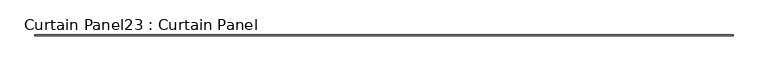
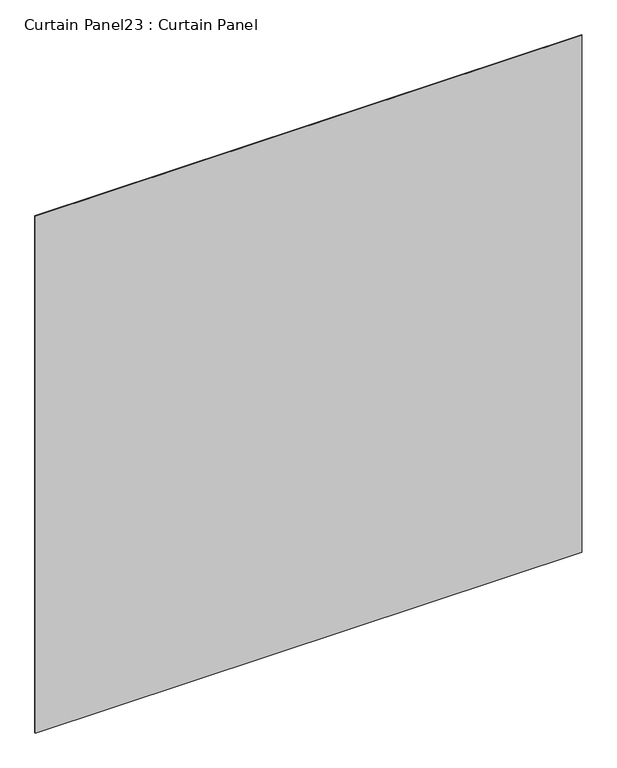
"""IFC4 building model written with IfcOpenShell, lengths in millimetres: plate geometry, Curtain Panel23 : Curtain Panel."""

from ifc_helpers import new_model, si_unit, frame, origin, place, context, project, spatial, polyline, outline, extrude, source, transform, mapped, element, save


def curtain_panel23_curtain_panel_667a9197(model_context):
    return source(origin(), model_context, "Body", "SweptSolid", [
        extrude(outline(polyline([(122452.7511045, 2928.7846955), (116439.3010963, 2928.7846955), (116439.3010963, 2935.1346955), (122452.7511045, 2935.1346955), (122452.7511045, 2928.7846955)])), frame((0.0, 0.0, 7265.9983791), z_axis=(0.0, 0.0, 1.0), x_axis=(1.0, 0.0, 0.0)), (0.0, 0.0, 1.0), 6010.275),
    ])


if __name__ == "__main__":
    model = new_model("IFC4")
    model_context = context("Model", 3, world=origin())
    ifc_project = project(units=[si_unit("LENGTHUNIT", "METRE", prefix="MILLI")], contexts=[model_context])
    site = spatial("IfcSite", under=ifc_project)
    building = spatial("IfcBuilding", under=site)
    placement = place(None, origin())
    curtain_panel23_curtain_panel_shape = curtain_panel23_curtain_panel_667a9197(model_context)
    element("IfcPlate", 1, ObjectType="Curtain Panel23 : Curtain Panel", at=placement, inside=building, context=model_context, shape_type="MappedRepresentation", body=[
        mapped(curtain_panel23_curtain_panel_shape, transform((0.0, 0.0, 0.0), x_axis=(1.0, 0.0, 0.0), y_axis=(0.0, 1.0, 0.0), z_axis=(0.0, 0.0, 1.0))),
    ])
    save(model, "model.ifc")
